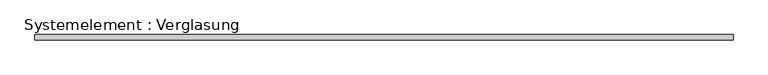
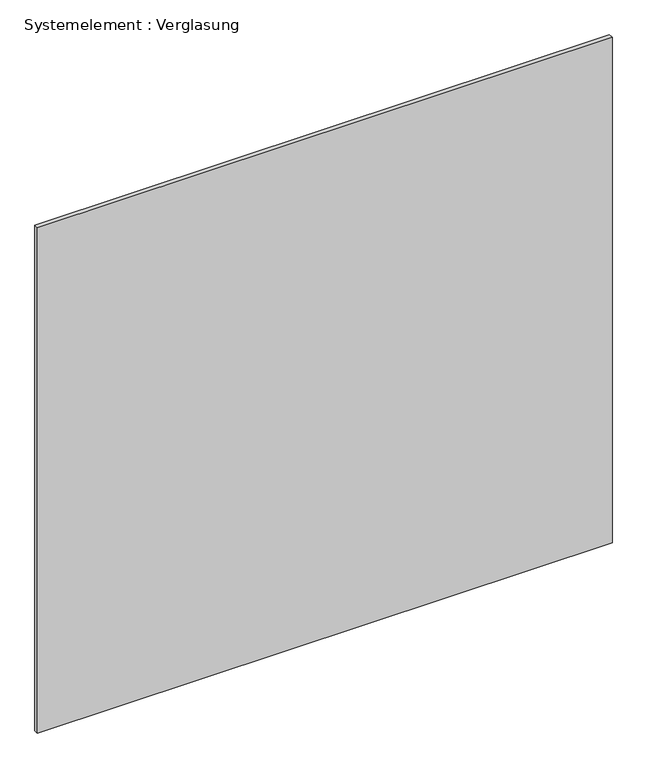
"""IFC4 building model written with IfcOpenShell, lengths in millimetres: plate geometry, Systemelement : Verglasung."""

from ifc_helpers import new_model, si_unit, origin, origin_with_axes, place, context, project, spatial, polyline, outline, extrude, source, transform, mapped, element, save


def systemelement_verglasung_3a498a61(model_context):
    return source(origin(), model_context, "Body", "SweptSolid", [
        extrude(outline(polyline([(1959.7916414, -15.0), (-1959.7916414, -15.0), (-1959.7916414, 15.0), (1959.7916414, 15.0), (1959.7916414, -15.0)])), origin_with_axes(), (0.0, 0.0, 1.0), 3645.0),
    ])


if __name__ == "__main__":
    model = new_model("IFC4")
    model_context = context("Model", 3, world=origin())
    ifc_project = project(units=[si_unit("LENGTHUNIT", "METRE", prefix="MILLI")], contexts=[model_context])
    site = spatial("IfcSite", under=ifc_project)
    building = spatial("IfcBuilding", under=site)
    placement = place(None, origin())
    systemelement_verglasung_shape = systemelement_verglasung_3a498a61(model_context)
    element("IfcPlate", 1, ObjectType="Systemelement : Verglasung", at=placement, inside=building, context=model_context, shape_type="MappedRepresentation", body=[
        mapped(systemelement_verglasung_shape, transform((0.0, 0.0, 0.0), x_axis=(1.0, 0.0, 0.0), y_axis=(0.0, 1.0, 0.0), z_axis=(0.0, 0.0, 1.0))),
    ])
    save(model, "model.ifc")
